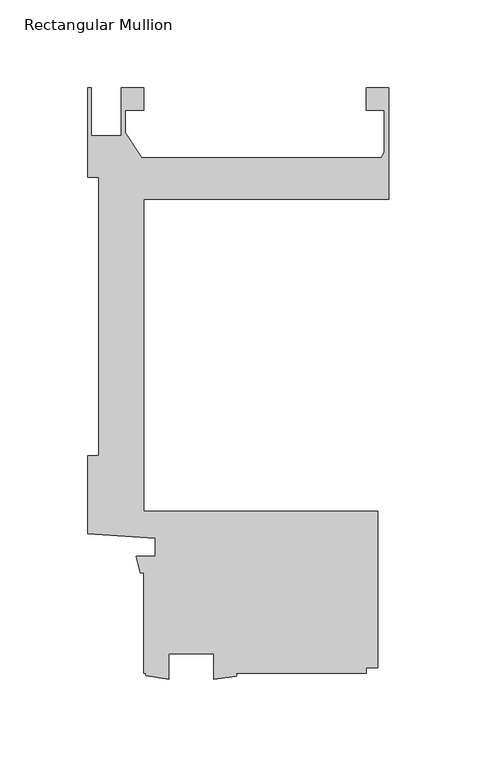
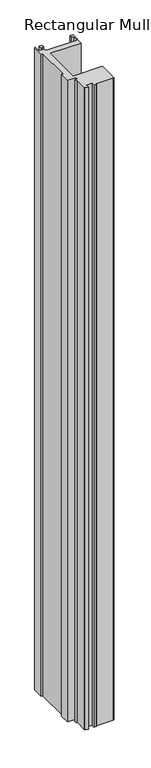
"""IFC4 building model written with IfcOpenShell, lengths in millimetres: member geometry, Rectangular Mullion."""

from ifc_helpers import new_model, si_unit, point, frame, frame_2d, origin, place, context, project, spatial, polyline, circle_curve, trimmed, segment, composite_curve, outline, extrude, source, transform, mapped, element, save


def rectangular_mullion_eedb5154(model_context):
    return source(origin(), model_context, "Body", "SweptSolid", [
        extrude(outline(composite_curve([segment(polyline([(0.0, 244.4496), (0.0, 180.975), (-139.7010309, 180.975), (-139.7010309, 3.175), (-6.3510934, 3.175), (-6.3510934, -85.724973), (-12.7010309, -85.724973), (-12.7010309, -88.900127), (-87.0244531, -88.900127)]), True, "CONTINUOUS"), segment(trimmed(circle_curve(frame_2d((-87.6546421, -89.7318292)), 1.0434878), [point((-87.0244531, -88.900127))], [point((-87.0244531, -90.5635314))], False, "CARTESIAN"), True, "CONTINUOUS"), segment(polyline([(-87.0244531, -90.5635314), (-99.7975059, -92.4196487), (-99.7975059, -77.787627), (-125.1975059, -77.787627), (-125.1975059, -92.296127), (-137.9687934, -90.4860233)]), True, "CONTINUOUS"), segment(trimmed(circle_curve(frame_2d((-137.5446011, -89.6930751)), 0.8992807), [point((-137.9687934, -90.4860233))], [point((-137.9687934, -88.900127))], False, "CARTESIAN"), True, "CONTINUOUS"), segment(polyline([(-137.9687934, -88.900127), (-139.7010309, -88.900127), (-139.7010309, -31.75), (-141.4322951, -31.75), (-143.8744778, -22.225), (-133.0838609, -22.225), (-133.0838609, -12.065), (-171.4509973, -9.4072995), (-171.4509973, 34.925), (-165.3374495, 34.925), (-165.3374495, 193.6749996), (-171.4499999, 193.6749996), (-171.4499999, 244.4749996), (-169.4179999, 244.4749996), (-169.4179999, 217.3151991), (-152.5173426, 217.3151991), (-152.5173426, 244.5004), (-139.6770294, 244.5004), (-139.6770294, 231.8004), (-149.9773426, 231.8004), (-149.9773426, 218.7695453), (-140.6789127, 204.7747996), (-4.3676768, 204.7747996)]), True, "CONTINUOUS"), segment(trimmed(circle_curve(frame_2d((-8.89, 209.2325)), 6.35), [point((-4.3676768, 204.7747996))], [point((-2.54, 209.2325))], True, "CARTESIAN"), True, "CONTINUOUS"), segment(polyline([(-2.54, 209.2325), (-2.54, 231.7496), (-12.720056, 231.7496), (-12.720056, 244.4496), (0.0, 244.4496)]), True, "CONTINUOUS")], self_intersect=False)), frame((0.0, 0.0, -3048.0), z_axis=(0.0, 0.0, 1.0), x_axis=(1.0, 0.0, 0.0)), (0.0, 0.0, 1.0), 3048.0),
    ])


if __name__ == "__main__":
    model = new_model("IFC4")
    model_context = context("Model", 3, world=origin())
    ifc_project = project(units=[si_unit("LENGTHUNIT", "METRE", prefix="MILLI")], contexts=[model_context])
    site = spatial("IfcSite", under=ifc_project)
    building = spatial("IfcBuilding", under=site)
    placement = place(None, origin())
    rectangular_mullion_shape = rectangular_mullion_eedb5154(model_context)
    element("IfcMember", 1, ObjectType="Rectangular Mullion", at=placement, inside=building, context=model_context, shape_type="MappedRepresentation", body=[
        mapped(rectangular_mullion_shape, transform((0.0, 0.0, 0.0), x_axis=(1.0, 0.0, 0.0), y_axis=(0.0, 1.0, 0.0), z_axis=(0.0, 0.0, 1.0))),
    ])
    save(model, "model.ifc")
